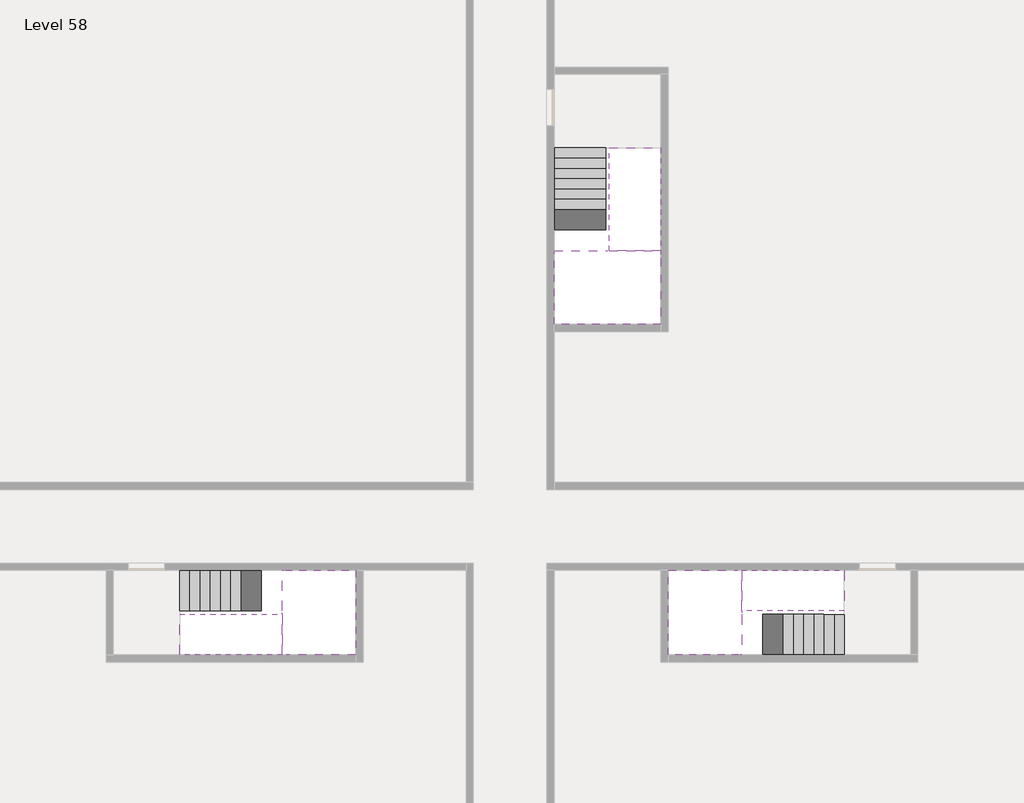
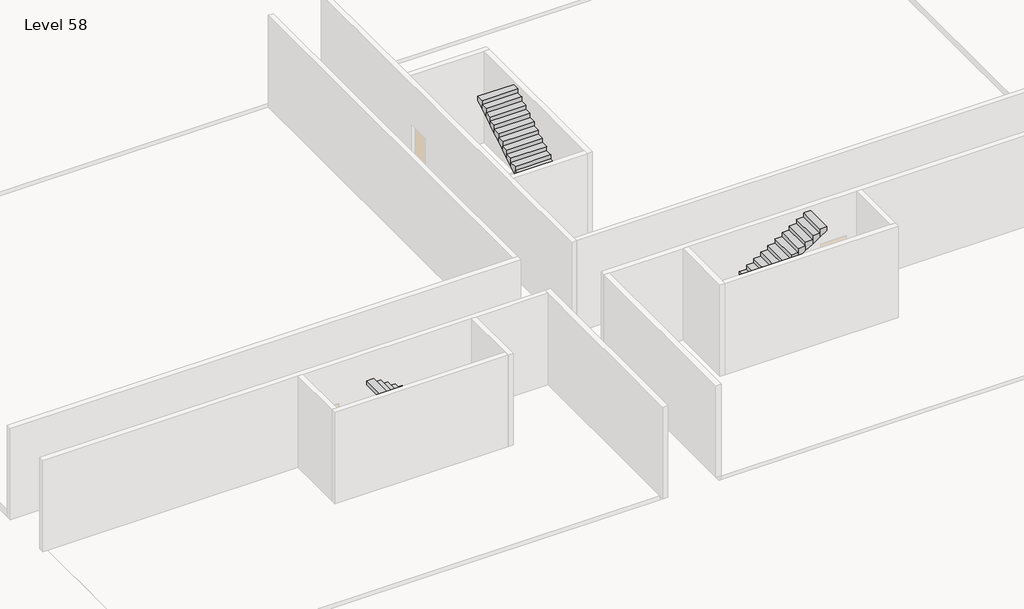
# One storey, part 2 of 2: 6 stair flights, 3 slabs.
"""IFC4 building model written with IfcOpenShell, lengths in millimetres."""

from ifc_helpers import new_model, si_unit, origin, place, context, project, spatial, faceted_brep, element, save

model = new_model("IFC4")

# Units and contexts
model_context = context("Model", 3, world=origin())
ifc_project = project(units=[si_unit("LENGTHUNIT", "METRE", prefix="MILLI")], contexts=[model_context])

# Site, building, storey
site = spatial("IfcSite", under=ifc_project)
building = spatial("IfcBuilding", under=site)
storey = spatial("IfcBuildingStorey", under=building, Name="Level 58", Elevation=216600.0)

# Slabs
placement = place(None, origin())
element("IfcSlab", 1, at=placement, inside=storey, context=model_context, shape_type="Brep", body=[
    faceted_brep([(26790.1058784, -34218.09644, 218500.0), (25390.1058784, -34218.09644, 218500.0), (25390.1058784, -34297.4828763, 218500.0), (25390.1058784, -36218.09644, 218500.0), (28290.1058784, -36218.09644, 218500.0), (28290.1058784, -34418.7100038, 218500.0), (28290.1058784, -34218.09644, 218500.0), (26890.1058784, -34218.09644, 218500.0), (26790.1058784, -34218.09644, 218200.0), (26790.1058784, -34218.09644, 218151.0278478), (25390.1058784, -34218.09644, 218151.0278478), (25390.1058784, -34218.09644, 218327.2727273), (25390.1058784, -34297.4828763, 218200.0), (25390.1058784, -36218.09644, 218200.0), (28290.1058784, -36218.09644, 218200.0), (28290.1058784, -34418.7100038, 218200.0), (28290.1058784, -34218.09644, 218323.7551205), (26890.1058784, -34218.09644, 218323.7551205), (26890.1058784, -34218.09644, 218200.0), (26890.1058784, -34418.7100038, 218200.0), (26790.1058784, -34297.4828763, 218200.0)], [[[0, 1, 2, 3, 4, 5, 6, 7]], [[1, 0, 8, 9, 10, 11]], [[1, 11, 10, 12, 13, 3, 2]], [[4, 3, 13, 14]], [[4, 14, 15, 16, 6, 5]], [[7, 6, 16, 17]], [[0, 7, 17, 18, 8]], [[18, 19, 15, 14, 13, 12, 20, 8]], [[19, 18, 17]], [[20, 12, 10, 9]], [[8, 20, 9]], [[15, 19, 17, 16]]]),
])
element("IfcSlab", 2, at=placement, inside=storey, context=model_context, shape_type="Brep", body=[
    faceted_brep([(30490.1058784, -45218.09644, 218500.0), (30490.1058784, -44118.09644, 218500.0), (30490.1058784, -44018.09644, 218500.0), (30490.1058784, -42918.09644, 218500.0), (30289.4923146, -42918.09644, 218500.0), (28490.1058784, -42918.09644, 218500.0), (28490.1058784, -45218.09644, 218500.0), (30410.7194421, -45218.09644, 218500.0), (30490.1058784, -45218.09644, 218327.2727273), (30490.1058784, -45218.09644, 218151.0278478), (30490.1058784, -44118.09644, 218151.0278478), (30490.1058784, -44118.09644, 218200.0), (30490.1058784, -44018.09644, 218200.0), (30490.1058784, -44018.09644, 218323.7551205), (30490.1058784, -42918.09644, 218323.7551205), (30289.4923146, -42918.09644, 218200.0), (28490.1058784, -42918.09644, 218200.0), (28490.1058784, -45218.09644, 218200.0), (30410.7194421, -45218.09644, 218200.0), (30289.4923146, -44018.09644, 218200.0), (30410.7194421, -44118.09644, 218200.0)], [[[0, 1, 2, 3, 4, 5, 6, 7]], [[1, 0, 8, 9, 10, 11]], [[2, 1, 11, 12, 13]], [[3, 2, 13, 14]], [[3, 14, 15, 16, 5, 4]], [[6, 5, 16, 17]], [[9, 8, 0, 7, 6, 17, 18]], [[19, 12, 11, 20, 18, 17, 16, 15]], [[12, 19, 13]], [[18, 20, 10, 9]], [[20, 11, 10]], [[19, 15, 14, 13]]]),
])
element("IfcSlab", 3, at=placement, inside=storey, context=model_context, shape_type="Brep", body=[
    faceted_brep([(17990.1058784, -42918.09644, 218500.0), (17990.1058784, -44018.09644, 218500.0), (17990.1058784, -44118.09644, 218500.0), (17990.1058784, -45218.09644, 218500.0), (18190.7194421, -45218.09644, 218500.0), (19990.1058784, -45218.09644, 218500.0), (19990.1058784, -42918.09644, 218500.0), (18069.4923146, -42918.09644, 218500.0), (17990.1058784, -42918.09644, 218327.2727273), (17990.1058784, -42918.09644, 218151.0278478), (17990.1058784, -44018.09644, 218151.0278478), (17990.1058784, -44018.09644, 218200.0), (17990.1058784, -44118.09644, 218200.0), (17990.1058784, -44118.09644, 218323.7551205), (17990.1058784, -45218.09644, 218323.7551205), (18190.7194421, -45218.09644, 218200.0), (19990.1058784, -45218.09644, 218200.0), (19990.1058784, -42918.09644, 218200.0), (18069.4923146, -42918.09644, 218200.0), (18190.7194421, -44118.09644, 218200.0), (18069.4923146, -44018.09644, 218200.0)], [[[0, 1, 2, 3, 4, 5, 6, 7]], [[1, 0, 8, 9, 10, 11]], [[2, 1, 11, 12, 13]], [[3, 2, 13, 14]], [[3, 14, 15, 16, 5, 4]], [[6, 5, 16, 17]], [[9, 8, 0, 7, 6, 17, 18]], [[19, 12, 11, 20, 18, 17, 16, 15]], [[12, 19, 13]], [[18, 20, 10, 9]], [[20, 11, 10]], [[19, 15, 14, 13]]]),
])

# Stair flights
element("IfcStairFlight", 4, at=placement, inside=storey, context=model_context, shape_type="Brep", body=[
    faceted_brep([(26790.1058784, -31698.09644, 216772.7272727), (26790.1058784, -31418.09644, 216772.7272727), (25390.1058784, -31418.09644, 216772.7272727), (25390.1058784, -31698.09644, 216772.7272727), (26790.1058784, -31698.09644, 216600.0), (26790.1058784, -31418.09644, 216600.0), (25390.1058784, -31418.09644, 216600.0), (25390.1058784, -31698.09644, 216600.0), (26790.1058784, -31978.09644, 216945.4545455), (26790.1058784, -31698.09644, 216945.4545455), (25390.1058784, -31698.09644, 216945.4545455), (25390.1058784, -31978.09644, 216945.4545455), (26790.1058784, -31978.09644, 216769.209666), (26790.1058784, -31703.7986657, 216600.0), (25390.1058784, -31703.7986657, 216600.0), (25390.1058784, -31978.09644, 216769.209666), (26790.1058784, -32258.09644, 217118.1818182), (26790.1058784, -31978.09644, 217118.1818182), (25390.1058784, -31978.09644, 217118.1818182), (25390.1058784, -32258.09644, 217118.1818182), (26790.1058784, -32258.09644, 216941.9369387), (25390.1058784, -32258.09644, 216941.9369387), (26790.1058784, -32538.09644, 217290.9090909), (26790.1058784, -32258.09644, 217290.9090909), (25390.1058784, -32258.09644, 217290.9090909), (25390.1058784, -32538.09644, 217290.9090909), (26790.1058784, -32538.09644, 217114.6642114), (25390.1058784, -32538.09644, 217114.6642114), (26790.1058784, -32818.09644, 217463.6363636), (26790.1058784, -32538.09644, 217463.6363636), (25390.1058784, -32538.09644, 217463.6363636), (25390.1058784, -32818.09644, 217463.6363636), (26790.1058784, -32818.09644, 217287.3914841), (25390.1058784, -32818.09644, 217287.3914841), (26790.1058784, -33098.09644, 217636.3636364), (26790.1058784, -32818.09644, 217636.3636364), (25390.1058784, -32818.09644, 217636.3636364), (25390.1058784, -33098.09644, 217636.3636364), (26790.1058784, -33098.09644, 217460.1187569), (25390.1058784, -33098.09644, 217460.1187569), (26790.1058784, -33378.09644, 217809.0909091), (26790.1058784, -33098.09644, 217809.0909091), (25390.1058784, -33098.09644, 217809.0909091), (25390.1058784, -33378.09644, 217809.0909091), (26790.1058784, -33378.09644, 217632.8460296), (25390.1058784, -33378.09644, 217632.8460296), (26790.1058784, -33658.09644, 217981.8181818), (26790.1058784, -33378.09644, 217981.8181818), (25390.1058784, -33378.09644, 217981.8181818), (25390.1058784, -33658.09644, 217981.8181818), (26790.1058784, -33658.09644, 217805.5733023), (25390.1058784, -33658.09644, 217805.5733023), (26790.1058784, -33938.09644, 218154.5454545), (26790.1058784, -33658.09644, 218154.5454545), (25390.1058784, -33658.09644, 218154.5454545), (25390.1058784, -33938.09644, 218154.5454545), (26790.1058784, -33938.09644, 217978.3005751), (25390.1058784, -33938.09644, 217978.3005751), (26790.1058784, -34218.09644, 218327.2727273), (26790.1058784, -33938.09644, 218327.2727273), (25390.1058784, -33938.09644, 218327.2727273), (25390.1058784, -34218.09644, 218327.2727273), (26790.1058784, -34218.09644, 218200.0), (26790.1058784, -34218.09644, 218151.0278478), (25390.1058784, -34218.09644, 218151.0278478)], [[[0, 1, 2, 3]], [[1, 0, 4, 5]], [[2, 1, 5, 6]], [[3, 2, 6, 7]], [[8, 9, 10, 11]], [[4, 0, 9, 8, 12, 13]], [[0, 3, 10, 9]], [[3, 7, 14, 15, 11, 10]], [[16, 17, 18, 19]], [[17, 16, 20, 12, 8]], [[8, 11, 18, 17]], [[19, 18, 11, 15, 21]], [[22, 23, 24, 25]], [[23, 22, 26, 20, 16]], [[16, 19, 24, 23]], [[25, 24, 19, 21, 27]], [[28, 29, 30, 31]], [[29, 28, 32, 26, 22]], [[22, 25, 30, 29]], [[31, 30, 25, 27, 33]], [[34, 35, 36, 37]], [[35, 34, 38, 32, 28]], [[28, 31, 36, 35]], [[37, 36, 31, 33, 39]], [[40, 41, 42, 43]], [[41, 40, 44, 38, 34]], [[34, 37, 42, 41]], [[43, 42, 37, 39, 45]], [[46, 47, 48, 49]], [[47, 46, 50, 44, 40]], [[40, 43, 48, 47]], [[49, 48, 43, 45, 51]], [[52, 53, 54, 55]], [[53, 52, 56, 50, 46]], [[46, 49, 54, 53]], [[55, 54, 49, 51, 57]], [[58, 59, 60, 61]], [[59, 58, 62, 63, 56, 52]], [[52, 55, 60, 59]], [[61, 60, 55, 57, 64]], [[58, 61, 64, 63, 62]], [[5, 4, 13, 14, 7, 6]], [[14, 13, 12, 20, 26, 32, 38, 44, 50, 56, 63, 64, 57, 51, 45, 39, 33, 27, 21, 15]]]),
])
element("IfcStairFlight", 5, at=placement, inside=storey, context=model_context, shape_type="Brep", body=[
    faceted_brep([(26890.1058784, -33938.09644, 218672.7272727), (26890.1058784, -34218.09644, 218672.7272727), (28290.1058784, -34218.09644, 218672.7272727), (28290.1058784, -33938.09644, 218672.7272727), (26890.1058784, -33938.09644, 218496.4823932), (26890.1058784, -34218.09644, 218323.7551205), (28290.1058784, -34218.09644, 218323.7551205), (28290.1058784, -34218.09644, 218500.0), (28290.1058784, -33938.09644, 218496.4823932), (26890.1058784, -33658.09644, 218845.4545455), (26890.1058784, -33938.09644, 218845.4545455), (28290.1058784, -33938.09644, 218845.4545455), (28290.1058784, -33658.09644, 218845.4545455), (26890.1058784, -33658.09644, 218669.209666), (28290.1058784, -33658.09644, 218669.209666), (26890.1058784, -33378.09644, 219018.1818182), (26890.1058784, -33658.09644, 219018.1818182), (28290.1058784, -33658.09644, 219018.1818182), (28290.1058784, -33378.09644, 219018.1818182), (26890.1058784, -33378.09644, 218841.9369387), (28290.1058784, -33378.09644, 218841.9369387), (26890.1058784, -33098.09644, 219190.9090909), (26890.1058784, -33378.09644, 219190.9090909), (28290.1058784, -33378.09644, 219190.9090909), (28290.1058784, -33098.09644, 219190.9090909), (26890.1058784, -33098.09644, 219014.6642114), (28290.1058784, -33098.09644, 219014.6642114), (26890.1058784, -32818.09644, 219363.6363636), (26890.1058784, -33098.09644, 219363.6363636), (28290.1058784, -33098.09644, 219363.6363636), (28290.1058784, -32818.09644, 219363.6363636), (26890.1058784, -32818.09644, 219187.3914841), (28290.1058784, -32818.09644, 219187.3914841), (26890.1058784, -32538.09644, 219536.3636364), (26890.1058784, -32818.09644, 219536.3636364), (28290.1058784, -32818.09644, 219536.3636364), (28290.1058784, -32538.09644, 219536.3636364), (26890.1058784, -32538.09644, 219360.1187569), (28290.1058784, -32538.09644, 219360.1187569), (26890.1058784, -32258.09644, 219709.0909091), (26890.1058784, -32538.09644, 219709.0909091), (28290.1058784, -32538.09644, 219709.0909091), (28290.1058784, -32258.09644, 219709.0909091), (26890.1058784, -32258.09644, 219532.8460296), (28290.1058784, -32258.09644, 219532.8460296), (26890.1058784, -31978.09644, 219881.8181818), (26890.1058784, -32258.09644, 219881.8181818), (28290.1058784, -32258.09644, 219881.8181818), (28290.1058784, -31978.09644, 219881.8181818), (26890.1058784, -31978.09644, 219705.5733023), (28290.1058784, -31978.09644, 219705.5733023), (26890.1058784, -31698.09644, 220054.5454545), (26890.1058784, -31978.09644, 220054.5454545), (28290.1058784, -31978.09644, 220054.5454545), (28290.1058784, -31698.09644, 220054.5454545), (26890.1058784, -31698.09644, 219878.3005751), (28290.1058784, -31698.09644, 219878.3005751), (26890.1058784, -31418.09644, 220227.2727273), (26890.1058784, -31698.09644, 220227.2727273), (28290.1058784, -31698.09644, 220227.2727273), (28290.1058784, -31418.09644, 220227.2727273), (26890.1058784, -31418.09644, 220051.0278478), (28290.1058784, -31418.09644, 220051.0278478)], [[[0, 1, 2, 3]], [[1, 0, 4, 5]], [[2, 1, 5, 6, 7]], [[3, 2, 7, 6, 8]], [[9, 10, 11, 12]], [[10, 9, 13, 4, 0]], [[11, 10, 0, 3]], [[12, 11, 3, 8, 14]], [[15, 16, 17, 18]], [[16, 15, 19, 13, 9]], [[17, 16, 9, 12]], [[18, 17, 12, 14, 20]], [[21, 22, 23, 24]], [[22, 21, 25, 19, 15]], [[23, 22, 15, 18]], [[24, 23, 18, 20, 26]], [[27, 28, 29, 30]], [[28, 27, 31, 25, 21]], [[29, 28, 21, 24]], [[30, 29, 24, 26, 32]], [[33, 34, 35, 36]], [[34, 33, 37, 31, 27]], [[35, 34, 27, 30]], [[36, 35, 30, 32, 38]], [[39, 40, 41, 42]], [[40, 39, 43, 37, 33]], [[41, 40, 33, 36]], [[42, 41, 36, 38, 44]], [[45, 46, 47, 48]], [[46, 45, 49, 43, 39]], [[47, 46, 39, 42]], [[48, 47, 42, 44, 50]], [[51, 52, 53, 54]], [[52, 51, 55, 49, 45]], [[53, 52, 45, 48]], [[54, 53, 48, 50, 56]], [[57, 58, 59, 60]], [[58, 57, 61, 55, 51]], [[59, 58, 51, 54]], [[60, 59, 54, 56, 62]], [[57, 60, 62, 61]], [[5, 4, 13, 19, 25, 31, 37, 43, 49, 55, 61, 62, 56, 50, 44, 38, 32, 26, 20, 14, 8, 6]]]),
])
element("IfcStairFlight", 6, at=placement, inside=storey, context=model_context, shape_type="Brep", body=[
    faceted_brep([(33010.1058784, -45218.09644, 216772.7272727), (33290.1058784, -45218.09644, 216772.7272727), (33290.1058784, -44118.09644, 216772.7272727), (33010.1058784, -44118.09644, 216772.7272727), (33010.1058784, -45218.09644, 216600.0), (33290.1058784, -45218.09644, 216600.0), (33290.1058784, -44118.09644, 216600.0), (33010.1058784, -44118.09644, 216600.0), (32730.1058784, -45218.09644, 216945.4545455), (33010.1058784, -45218.09644, 216945.4545455), (33010.1058784, -44118.09644, 216945.4545455), (32730.1058784, -44118.09644, 216945.4545455), (32730.1058784, -45218.09644, 216769.209666), (33004.4036527, -45218.09644, 216600.0), (33004.4036527, -44118.09644, 216600.0), (32730.1058784, -44118.09644, 216769.209666), (32450.1058784, -45218.09644, 217118.1818182), (32730.1058784, -45218.09644, 217118.1818182), (32730.1058784, -44118.09644, 217118.1818182), (32450.1058784, -44118.09644, 217118.1818182), (32450.1058784, -45218.09644, 216941.9369387), (32450.1058784, -44118.09644, 216941.9369387), (32170.1058784, -45218.09644, 217290.9090909), (32450.1058784, -45218.09644, 217290.9090909), (32450.1058784, -44118.09644, 217290.9090909), (32170.1058784, -44118.09644, 217290.9090909), (32170.1058784, -45218.09644, 217114.6642114), (32170.1058784, -44118.09644, 217114.6642114), (31890.1058784, -45218.09644, 217463.6363636), (32170.1058784, -45218.09644, 217463.6363636), (32170.1058784, -44118.09644, 217463.6363636), (31890.1058784, -44118.09644, 217463.6363636), (31890.1058784, -45218.09644, 217287.3914841), (31890.1058784, -44118.09644, 217287.3914841), (31610.1058784, -45218.09644, 217636.3636364), (31890.1058784, -45218.09644, 217636.3636364), (31890.1058784, -44118.09644, 217636.3636364), (31610.1058784, -44118.09644, 217636.3636364), (31610.1058784, -45218.09644, 217460.1187569), (31610.1058784, -44118.09644, 217460.1187569), (31330.1058784, -45218.09644, 217809.0909091), (31610.1058784, -45218.09644, 217809.0909091), (31610.1058784, -44118.09644, 217809.0909091), (31330.1058784, -44118.09644, 217809.0909091), (31330.1058784, -45218.09644, 217632.8460296), (31330.1058784, -44118.09644, 217632.8460296), (31050.1058784, -45218.09644, 217981.8181818), (31330.1058784, -45218.09644, 217981.8181818), (31330.1058784, -44118.09644, 217981.8181818), (31050.1058784, -44118.09644, 217981.8181818), (31050.1058784, -45218.09644, 217805.5733023), (31050.1058784, -44118.09644, 217805.5733023), (30770.1058784, -45218.09644, 218154.5454545), (31050.1058784, -45218.09644, 218154.5454545), (31050.1058784, -44118.09644, 218154.5454545), (30770.1058784, -44118.09644, 218154.5454545), (30770.1058784, -45218.09644, 217978.3005751), (30770.1058784, -44118.09644, 217978.3005751), (30490.1058784, -45218.09644, 218327.2727273), (30770.1058784, -45218.09644, 218327.2727273), (30770.1058784, -44118.09644, 218327.2727273), (30490.1058784, -44118.09644, 218327.2727273), (30490.1058784, -45218.09644, 218151.0278478), (30490.1058784, -44118.09644, 218151.0278478), (30490.1058784, -44118.09644, 218200.0)], [[[0, 1, 2, 3]], [[1, 0, 4, 5]], [[2, 1, 5, 6]], [[3, 2, 6, 7]], [[8, 9, 10, 11]], [[4, 0, 9, 8, 12, 13]], [[0, 3, 10, 9]], [[3, 7, 14, 15, 11, 10]], [[16, 17, 18, 19]], [[17, 16, 20, 12, 8]], [[8, 11, 18, 17]], [[19, 18, 11, 15, 21]], [[22, 23, 24, 25]], [[23, 22, 26, 20, 16]], [[16, 19, 24, 23]], [[25, 24, 19, 21, 27]], [[28, 29, 30, 31]], [[29, 28, 32, 26, 22]], [[22, 25, 30, 29]], [[31, 30, 25, 27, 33]], [[34, 35, 36, 37]], [[35, 34, 38, 32, 28]], [[28, 31, 36, 35]], [[37, 36, 31, 33, 39]], [[40, 41, 42, 43]], [[41, 40, 44, 38, 34]], [[34, 37, 42, 41]], [[43, 42, 37, 39, 45]], [[46, 47, 48, 49]], [[47, 46, 50, 44, 40]], [[40, 43, 48, 47]], [[49, 48, 43, 45, 51]], [[52, 53, 54, 55]], [[53, 52, 56, 50, 46]], [[46, 49, 54, 53]], [[55, 54, 49, 51, 57]], [[58, 59, 60, 61]], [[59, 58, 62, 56, 52]], [[52, 55, 60, 59]], [[61, 60, 55, 57, 63, 64]], [[58, 61, 64, 63, 62]], [[5, 4, 13, 14, 7, 6]], [[14, 13, 12, 20, 26, 32, 38, 44, 50, 56, 62, 63, 57, 51, 45, 39, 33, 27, 21, 15]]]),
])
element("IfcStairFlight", 7, at=placement, inside=storey, context=model_context, shape_type="Brep", body=[
    faceted_brep([(30770.1058784, -42918.09644, 218672.7272727), (30490.1058784, -42918.09644, 218672.7272727), (30490.1058784, -44018.09644, 218672.7272727), (30770.1058784, -44018.09644, 218672.7272727), (30770.1058784, -42918.09644, 218496.4823932), (30490.1058784, -42918.09644, 218323.7551205), (30490.1058784, -42918.09644, 218500.0), (30490.1058784, -44018.09644, 218323.7551205), (30770.1058784, -44018.09644, 218496.4823932), (31050.1058784, -42918.09644, 218845.4545455), (30770.1058784, -42918.09644, 218845.4545455), (30770.1058784, -44018.09644, 218845.4545455), (31050.1058784, -44018.09644, 218845.4545455), (31050.1058784, -42918.09644, 218669.209666), (31050.1058784, -44018.09644, 218669.209666), (31330.1058784, -42918.09644, 219018.1818182), (31050.1058784, -42918.09644, 219018.1818182), (31050.1058784, -44018.09644, 219018.1818182), (31330.1058784, -44018.09644, 219018.1818182), (31330.1058784, -42918.09644, 218841.9369387), (31330.1058784, -44018.09644, 218841.9369387), (31610.1058784, -42918.09644, 219190.9090909), (31330.1058784, -42918.09644, 219190.9090909), (31330.1058784, -44018.09644, 219190.9090909), (31610.1058784, -44018.09644, 219190.9090909), (31610.1058784, -42918.09644, 219014.6642114), (31610.1058784, -44018.09644, 219014.6642114), (31890.1058784, -42918.09644, 219363.6363636), (31610.1058784, -42918.09644, 219363.6363636), (31610.1058784, -44018.09644, 219363.6363636), (31890.1058784, -44018.09644, 219363.6363636), (31890.1058784, -42918.09644, 219187.3914841), (31890.1058784, -44018.09644, 219187.3914841), (32170.1058784, -42918.09644, 219536.3636364), (31890.1058784, -42918.09644, 219536.3636364), (31890.1058784, -44018.09644, 219536.3636364), (32170.1058784, -44018.09644, 219536.3636364), (32170.1058784, -42918.09644, 219360.1187569), (32170.1058784, -44018.09644, 219360.1187569), (32450.1058784, -42918.09644, 219709.0909091), (32170.1058784, -42918.09644, 219709.0909091), (32170.1058784, -44018.09644, 219709.0909091), (32450.1058784, -44018.09644, 219709.0909091), (32450.1058784, -42918.09644, 219532.8460296), (32450.1058784, -44018.09644, 219532.8460296), (32730.1058784, -42918.09644, 219881.8181818), (32450.1058784, -42918.09644, 219881.8181818), (32450.1058784, -44018.09644, 219881.8181818), (32730.1058784, -44018.09644, 219881.8181818), (32730.1058784, -42918.09644, 219705.5733023), (32730.1058784, -44018.09644, 219705.5733023), (33010.1058784, -42918.09644, 220054.5454545), (32730.1058784, -42918.09644, 220054.5454545), (32730.1058784, -44018.09644, 220054.5454545), (33010.1058784, -44018.09644, 220054.5454545), (33010.1058784, -42918.09644, 219878.3005751), (33010.1058784, -44018.09644, 219878.3005751), (33290.1058784, -42918.09644, 220227.2727273), (33010.1058784, -42918.09644, 220227.2727273), (33010.1058784, -44018.09644, 220227.2727273), (33290.1058784, -44018.09644, 220227.2727273), (33290.1058784, -42918.09644, 220051.0278478), (33290.1058784, -44018.09644, 220051.0278478)], [[[0, 1, 2, 3]], [[1, 0, 4, 5, 6]], [[2, 1, 6, 5, 7]], [[3, 2, 7, 8]], [[9, 10, 11, 12]], [[10, 9, 13, 4, 0]], [[11, 10, 0, 3]], [[12, 11, 3, 8, 14]], [[15, 16, 17, 18]], [[16, 15, 19, 13, 9]], [[17, 16, 9, 12]], [[18, 17, 12, 14, 20]], [[21, 22, 23, 24]], [[22, 21, 25, 19, 15]], [[23, 22, 15, 18]], [[24, 23, 18, 20, 26]], [[27, 28, 29, 30]], [[28, 27, 31, 25, 21]], [[29, 28, 21, 24]], [[30, 29, 24, 26, 32]], [[33, 34, 35, 36]], [[34, 33, 37, 31, 27]], [[35, 34, 27, 30]], [[36, 35, 30, 32, 38]], [[39, 40, 41, 42]], [[40, 39, 43, 37, 33]], [[41, 40, 33, 36]], [[42, 41, 36, 38, 44]], [[45, 46, 47, 48]], [[46, 45, 49, 43, 39]], [[47, 46, 39, 42]], [[48, 47, 42, 44, 50]], [[51, 52, 53, 54]], [[52, 51, 55, 49, 45]], [[53, 52, 45, 48]], [[54, 53, 48, 50, 56]], [[57, 58, 59, 60]], [[58, 57, 61, 55, 51]], [[59, 58, 51, 54]], [[60, 59, 54, 56, 62]], [[57, 60, 62, 61]], [[5, 4, 13, 19, 25, 31, 37, 43, 49, 55, 61, 62, 56, 50, 44, 38, 32, 26, 20, 14, 8, 7]]]),
])
element("IfcStairFlight", 8, at=placement, inside=storey, context=model_context, shape_type="Brep", body=[
    faceted_brep([(15470.1058784, -42918.09644, 216772.7272727), (15190.1058784, -42918.09644, 216772.7272727), (15190.1058784, -44018.09644, 216772.7272727), (15470.1058784, -44018.09644, 216772.7272727), (15470.1058784, -42918.09644, 216600.0), (15190.1058784, -42918.09644, 216600.0), (15190.1058784, -44018.09644, 216600.0), (15470.1058784, -44018.09644, 216600.0), (15750.1058784, -42918.09644, 216945.4545455), (15470.1058784, -42918.09644, 216945.4545455), (15470.1058784, -44018.09644, 216945.4545455), (15750.1058784, -44018.09644, 216945.4545455), (15750.1058784, -42918.09644, 216769.209666), (15475.8081041, -42918.09644, 216600.0), (15475.8081041, -44018.09644, 216600.0), (15750.1058784, -44018.09644, 216769.209666), (16030.1058784, -42918.09644, 217118.1818182), (15750.1058784, -42918.09644, 217118.1818182), (15750.1058784, -44018.09644, 217118.1818182), (16030.1058784, -44018.09644, 217118.1818182), (16030.1058784, -42918.09644, 216941.9369387), (16030.1058784, -44018.09644, 216941.9369387), (16310.1058784, -42918.09644, 217290.9090909), (16030.1058784, -42918.09644, 217290.9090909), (16030.1058784, -44018.09644, 217290.9090909), (16310.1058784, -44018.09644, 217290.9090909), (16310.1058784, -42918.09644, 217114.6642114), (16310.1058784, -44018.09644, 217114.6642114), (16590.1058784, -42918.09644, 217463.6363636), (16310.1058784, -42918.09644, 217463.6363636), (16310.1058784, -44018.09644, 217463.6363636), (16590.1058784, -44018.09644, 217463.6363636), (16590.1058784, -42918.09644, 217287.3914841), (16590.1058784, -44018.09644, 217287.3914841), (16870.1058784, -42918.09644, 217636.3636364), (16590.1058784, -42918.09644, 217636.3636364), (16590.1058784, -44018.09644, 217636.3636364), (16870.1058784, -44018.09644, 217636.3636364), (16870.1058784, -42918.09644, 217460.1187569), (16870.1058784, -44018.09644, 217460.1187569), (17150.1058784, -42918.09644, 217809.0909091), (16870.1058784, -42918.09644, 217809.0909091), (16870.1058784, -44018.09644, 217809.0909091), (17150.1058784, -44018.09644, 217809.0909091), (17150.1058784, -42918.09644, 217632.8460296), (17150.1058784, -44018.09644, 217632.8460296), (17430.1058784, -42918.09644, 217981.8181818), (17150.1058784, -42918.09644, 217981.8181818), (17150.1058784, -44018.09644, 217981.8181818), (17430.1058784, -44018.09644, 217981.8181818), (17430.1058784, -42918.09644, 217805.5733023), (17430.1058784, -44018.09644, 217805.5733023), (17710.1058784, -42918.09644, 218154.5454545), (17430.1058784, -42918.09644, 218154.5454545), (17430.1058784, -44018.09644, 218154.5454545), (17710.1058784, -44018.09644, 218154.5454545), (17710.1058784, -42918.09644, 217978.3005751), (17710.1058784, -44018.09644, 217978.3005751), (17990.1058784, -42918.09644, 218327.2727273), (17710.1058784, -42918.09644, 218327.2727273), (17710.1058784, -44018.09644, 218327.2727273), (17990.1058784, -44018.09644, 218327.2727273), (17990.1058784, -42918.09644, 218151.0278478), (17990.1058784, -44018.09644, 218151.0278478), (17990.1058784, -44018.09644, 218200.0)], [[[0, 1, 2, 3]], [[1, 0, 4, 5]], [[2, 1, 5, 6]], [[3, 2, 6, 7]], [[8, 9, 10, 11]], [[4, 0, 9, 8, 12, 13]], [[0, 3, 10, 9]], [[3, 7, 14, 15, 11, 10]], [[16, 17, 18, 19]], [[17, 16, 20, 12, 8]], [[8, 11, 18, 17]], [[19, 18, 11, 15, 21]], [[22, 23, 24, 25]], [[23, 22, 26, 20, 16]], [[16, 19, 24, 23]], [[25, 24, 19, 21, 27]], [[28, 29, 30, 31]], [[29, 28, 32, 26, 22]], [[22, 25, 30, 29]], [[31, 30, 25, 27, 33]], [[34, 35, 36, 37]], [[35, 34, 38, 32, 28]], [[28, 31, 36, 35]], [[37, 36, 31, 33, 39]], [[40, 41, 42, 43]], [[41, 40, 44, 38, 34]], [[34, 37, 42, 41]], [[43, 42, 37, 39, 45]], [[46, 47, 48, 49]], [[47, 46, 50, 44, 40]], [[40, 43, 48, 47]], [[49, 48, 43, 45, 51]], [[52, 53, 54, 55]], [[53, 52, 56, 50, 46]], [[46, 49, 54, 53]], [[55, 54, 49, 51, 57]], [[58, 59, 60, 61]], [[59, 58, 62, 56, 52]], [[52, 55, 60, 59]], [[61, 60, 55, 57, 63, 64]], [[58, 61, 64, 63, 62]], [[5, 4, 13, 14, 7, 6]], [[14, 13, 12, 20, 26, 32, 38, 44, 50, 56, 62, 63, 57, 51, 45, 39, 33, 27, 21, 15]]]),
])
element("IfcStairFlight", 9, at=placement, inside=storey, context=model_context, shape_type="Brep", body=[
    faceted_brep([(17710.1058784, -45218.09644, 218672.7272727), (17990.1058784, -45218.09644, 218672.7272727), (17990.1058784, -44118.09644, 218672.7272727), (17710.1058784, -44118.09644, 218672.7272727), (17710.1058784, -45218.09644, 218496.4823932), (17990.1058784, -45218.09644, 218323.7551205), (17990.1058784, -45218.09644, 218500.0), (17990.1058784, -44118.09644, 218323.7551205), (17710.1058784, -44118.09644, 218496.4823932), (17430.1058784, -45218.09644, 218845.4545455), (17710.1058784, -45218.09644, 218845.4545455), (17710.1058784, -44118.09644, 218845.4545455), (17430.1058784, -44118.09644, 218845.4545455), (17430.1058784, -45218.09644, 218669.209666), (17430.1058784, -44118.09644, 218669.209666), (17150.1058784, -45218.09644, 219018.1818182), (17430.1058784, -45218.09644, 219018.1818182), (17430.1058784, -44118.09644, 219018.1818182), (17150.1058784, -44118.09644, 219018.1818182), (17150.1058784, -45218.09644, 218841.9369387), (17150.1058784, -44118.09644, 218841.9369387), (16870.1058784, -45218.09644, 219190.9090909), (17150.1058784, -45218.09644, 219190.9090909), (17150.1058784, -44118.09644, 219190.9090909), (16870.1058784, -44118.09644, 219190.9090909), (16870.1058784, -45218.09644, 219014.6642114), (16870.1058784, -44118.09644, 219014.6642114), (16590.1058784, -45218.09644, 219363.6363636), (16870.1058784, -45218.09644, 219363.6363636), (16870.1058784, -44118.09644, 219363.6363636), (16590.1058784, -44118.09644, 219363.6363636), (16590.1058784, -45218.09644, 219187.3914841), (16590.1058784, -44118.09644, 219187.3914841), (16310.1058784, -45218.09644, 219536.3636364), (16590.1058784, -45218.09644, 219536.3636364), (16590.1058784, -44118.09644, 219536.3636364), (16310.1058784, -44118.09644, 219536.3636364), (16310.1058784, -45218.09644, 219360.1187569), (16310.1058784, -44118.09644, 219360.1187569), (16030.1058784, -45218.09644, 219709.0909091), (16310.1058784, -45218.09644, 219709.0909091), (16310.1058784, -44118.09644, 219709.0909091), (16030.1058784, -44118.09644, 219709.0909091), (16030.1058784, -45218.09644, 219532.8460296), (16030.1058784, -44118.09644, 219532.8460296), (15750.1058784, -45218.09644, 219881.8181818), (16030.1058784, -45218.09644, 219881.8181818), (16030.1058784, -44118.09644, 219881.8181818), (15750.1058784, -44118.09644, 219881.8181818), (15750.1058784, -45218.09644, 219705.5733023), (15750.1058784, -44118.09644, 219705.5733023), (15470.1058784, -45218.09644, 220054.5454545), (15750.1058784, -45218.09644, 220054.5454545), (15750.1058784, -44118.09644, 220054.5454545), (15470.1058784, -44118.09644, 220054.5454545), (15470.1058784, -45218.09644, 219878.3005751), (15470.1058784, -44118.09644, 219878.3005751), (15190.1058784, -45218.09644, 220227.2727273), (15470.1058784, -45218.09644, 220227.2727273), (15470.1058784, -44118.09644, 220227.2727273), (15190.1058784, -44118.09644, 220227.2727273), (15190.1058784, -45218.09644, 220051.0278478), (15190.1058784, -44118.09644, 220051.0278478)], [[[0, 1, 2, 3]], [[1, 0, 4, 5, 6]], [[2, 1, 6, 5, 7]], [[3, 2, 7, 8]], [[9, 10, 11, 12]], [[10, 9, 13, 4, 0]], [[11, 10, 0, 3]], [[12, 11, 3, 8, 14]], [[15, 16, 17, 18]], [[16, 15, 19, 13, 9]], [[17, 16, 9, 12]], [[18, 17, 12, 14, 20]], [[21, 22, 23, 24]], [[22, 21, 25, 19, 15]], [[23, 22, 15, 18]], [[24, 23, 18, 20, 26]], [[27, 28, 29, 30]], [[28, 27, 31, 25, 21]], [[29, 28, 21, 24]], [[30, 29, 24, 26, 32]], [[33, 34, 35, 36]], [[34, 33, 37, 31, 27]], [[35, 34, 27, 30]], [[36, 35, 30, 32, 38]], [[39, 40, 41, 42]], [[40, 39, 43, 37, 33]], [[41, 40, 33, 36]], [[42, 41, 36, 38, 44]], [[45, 46, 47, 48]], [[46, 45, 49, 43, 39]], [[47, 46, 39, 42]], [[48, 47, 42, 44, 50]], [[51, 52, 53, 54]], [[52, 51, 55, 49, 45]], [[53, 52, 45, 48]], [[54, 53, 48, 50, 56]], [[57, 58, 59, 60]], [[58, 57, 61, 55, 51]], [[59, 58, 51, 54]], [[60, 59, 54, 56, 62]], [[57, 60, 62, 61]], [[5, 4, 13, 19, 25, 31, 37, 43, 49, 55, 61, 62, 56, 50, 44, 38, 32, 26, 20, 14, 8, 7]]]),
])

save(model, "model.ifc")
